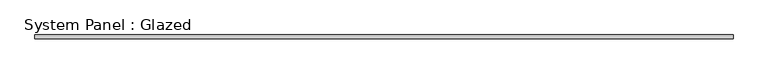
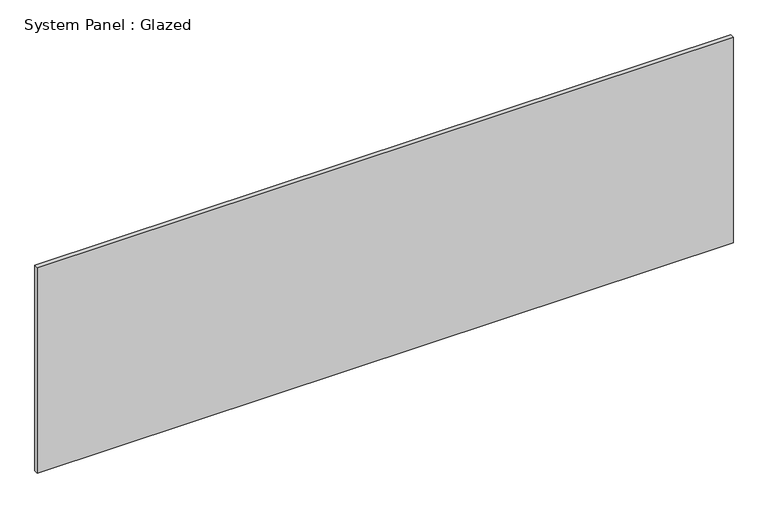
"""IFC4 building model written with IfcOpenShell, lengths in millimetres: plate geometry, System Panel : Glazed."""

import ifcopenshell
import ifcopenshell.guid

model = None  # the IFC model being written
_history = None  # IfcOwnerHistory: only IFC2X3 demands one
_inside = {}  # id of a spatial element -> (the spatial element, [elements in it])
_under = {}  # id of a project, library or spatial element -> (it, [spatial elements below it])
_declared = {}  # id of a project -> (the project, [libraries it declares])
_typed = {}  # id of a type object -> (the type object, [elements of that type])
_made_of = {}  # id of a material, layer set ... -> (it, [elements and type objects made of it])


def new_model(schema):
    """Start an empty IFC model of exactly this schema.

    Asked for "IFC4X3", IfcOpenShell would pick the latest addendum, in which some entities
    have other attributes; the version numbers below select the first issue.
    IFC2X3 requires an IfcOwnerHistory on every rooted entity: one is made here for all.
    """
    global model, _history
    if schema == "IFC4X3":
        model = ifcopenshell.file(schema_version=(4, 3, 0, 0))
    else:
        model = ifcopenshell.file(schema=schema)
    _inside.clear()
    _under.clear()
    _declared.clear()
    _typed.clear()
    _made_of.clear()
    _history = None
    if model.schema == "IFC2X3":
        org = make("IfcOrganization", Name="unknown")
        user = make(
            "IfcPersonAndOrganization",
            ThePerson=make("IfcPerson", FamilyName="unknown"),
            TheOrganization=org,
        )
        app = make(
            "IfcApplication",
            ApplicationDeveloper=org,
            Version="unknown",
            ApplicationFullName="unknown",
            ApplicationIdentifier="unknown",
        )
        _history = make(
            "IfcOwnerHistory",
            OwningUser=user,
            OwningApplication=app,
            ChangeAction="ADDED",
            CreationDate=0,
        )
    return model


def make(cls, **values):
    """One entity of the class cls with the attributes given. An attribute that is None is left unset."""
    return model.create_entity(
        cls, **{name: value for name, value in values.items() if value is not None}
    )


def rooted(cls, **values):
    """An entity with a GlobalId (a new one), such as an element, a storey or a relation."""
    return make(cls, GlobalId=ifcopenshell.guid.new(), OwnerHistory=_history, **values)


def si_unit(unit_type, name, prefix=None):
    """IfcSIUnit, for example si_unit("LENGTHUNIT", "METRE", prefix="MILLI")."""
    return make("IfcSIUnit", UnitType=unit_type, Prefix=prefix, Name=name)


def assignment(units):
    """IfcUnitAssignment: the units of a project."""
    return None if units is None else make("IfcUnitAssignment", Units=units)


def point(xyz):
    """IfcCartesianPoint."""
    return None if xyz is None else make("IfcCartesianPoint", Coordinates=xyz)


def direction(xyz):
    """IfcDirection."""
    return None if xyz is None else make("IfcDirection", DirectionRatios=xyz)


def frame(location, z_axis=None, x_axis=None):
    """IfcAxis2Placement3D, a coordinate frame: its origin and axes. An axis left out is left unset."""
    return make(
        "IfcAxis2Placement3D",
        Location=point(location),
        Axis=direction(z_axis),
        RefDirection=direction(x_axis),
    )


def origin():
    """The frame at (0, 0, 0) with its axes left unset."""
    return frame((0.0, 0.0, 0.0))


def origin_with_axes():
    """The frame at (0, 0, 0) with the z axis (0, 0, 1) and the x axis (1, 0, 0) written out."""
    return frame((0.0, 0.0, 0.0), z_axis=(0.0, 0.0, 1.0), x_axis=(1.0, 0.0, 0.0))


def place(relative_to, where):
    """IfcLocalPlacement: puts the frame where relative to a parent placement (None: the world)."""
    return make(
        "IfcLocalPlacement", PlacementRelTo=relative_to, RelativePlacement=where
    )


def context(
    kind, dimensions, precision=None, world=None, true_north=None, identifier=None
):
    """IfcGeometricRepresentationContext, for example the 3D "Model" context."""
    return make(
        "IfcGeometricRepresentationContext",
        ContextIdentifier=identifier,
        ContextType=kind,
        CoordinateSpaceDimension=dimensions,
        Precision=precision,
        WorldCoordinateSystem=world,
        TrueNorth=true_north,
    )


def project(units=None, contexts=None):
    """IfcProject with its units and contexts."""
    return rooted(
        "IfcProject",
        Name="project",
        RepresentationContexts=contexts,
        UnitsInContext=assignment(units),
    )


def spatial(cls, under=None, at=None, **own):
    """A site, building, storey or space (cls), placed at a placement, below another one or the project."""
    s = rooted(cls, ObjectPlacement=at, **own)
    if under is not None:
        _under.setdefault(under.id(), (under, []))[1].append(s)
    return s


def polyline(points):
    """IfcPolyline through the points."""
    return make("IfcPolyline", Points=[point(p) for p in points])


def outline(outer, holes=None, kind="AREA"):
    """IfcArbitraryClosedProfileDef: a profile drawn as a closed curve; with holes, ...WithVoids."""
    if holes is None:
        return make("IfcArbitraryClosedProfileDef", ProfileType=kind, OuterCurve=outer)
    return make(
        "IfcArbitraryProfileDefWithVoids",
        ProfileType=kind,
        OuterCurve=outer,
        InnerCurves=holes,
    )


def extrude(swept, where, along, depth):
    """IfcExtrudedAreaSolid: the profile swept, set in the frame where, extruded along a direction by depth."""
    return make(
        "IfcExtrudedAreaSolid",
        SweptArea=swept,
        Position=where,
        ExtrudedDirection=direction(along),
        Depth=depth,
    )


def shape(context_of_items, identifier, shape_type, items):
    """IfcShapeRepresentation: the items that make up one representation, for example the "Body"."""
    return make(
        "IfcShapeRepresentation",
        ContextOfItems=context_of_items,
        RepresentationIdentifier=identifier,
        RepresentationType=shape_type,
        Items=items,
    )


def source(mapping_origin, context_of_items, identifier, shape_type, items):
    """IfcRepresentationMap: a shape defined once, which mapped items show again and again."""
    return make(
        "IfcRepresentationMap",
        MappingOrigin=mapping_origin,
        MappedRepresentation=shape(context_of_items, identifier, shape_type, items),
    )


def transform(
    local_origin,
    x_axis=None,
    y_axis=None,
    z_axis=None,
    scale=None,
    scale2=None,
    scale3=None,
    uniform=True,
):
    """IfcCartesianTransformationOperator3D, or its non-uniform kind. x_axis, y_axis, z_axis: its Axis1, 2, 3."""
    if uniform:
        return make(
            "IfcCartesianTransformationOperator3D",
            Axis1=direction(x_axis),
            Axis2=direction(y_axis),
            LocalOrigin=point(local_origin),
            Scale=scale,
            Axis3=direction(z_axis),
        )
    return make(
        "IfcCartesianTransformationOperator3DnonUniform",
        Axis1=direction(x_axis),
        Axis2=direction(y_axis),
        LocalOrigin=point(local_origin),
        Scale=scale,
        Axis3=direction(z_axis),
        Scale2=scale2,
        Scale3=scale3,
    )


def mapped(mapping_source, mapping_target):
    """IfcMappedItem: shows the shape of a source again, moved by a transform."""
    return make(
        "IfcMappedItem", MappingSource=mapping_source, MappingTarget=mapping_target
    )


def made_of(thing, what):
    """Note that an element or type object is made of a material, layer set ...; save() writes the relation."""
    if what is not None:
        _made_of.setdefault(what.id(), (what, []))[1].append(thing)
    return thing


def element(
    cls,
    number,
    at=None,
    inside=None,
    cuts=None,
    type_object=None,
    material=None,
    context=None,
    identifier="Body",
    shape_type=None,
    held_by="IfcProductDefinitionShape",
    body=None,
    shapes=None,
    **own,
):
    """One element of the class cls, such as IfcWall. Its Tag is "e" and its number.

    at: its placement. inside: the storey or other place that contains it. cuts: it is an
    opening in that element (IfcRelVoidsElement). A single representation is given by context,
    identifier, shape_type and body (its items); several are given by shapes. held_by: the class
    of the entity that holds the representations. save() writes the other relations.
    """
    e = rooted(cls, Tag="e%d" % number, ObjectPlacement=at, **own)
    if body is not None:
        shapes = [shape(context, identifier, shape_type, body)]
    if shapes is not None:
        e.Representation = make(held_by, Representations=shapes)
    if inside is not None:
        _inside.setdefault(inside.id(), (inside, []))[1].append(e)
    if cuts is not None:
        rooted(
            "IfcRelVoidsElement", RelatingBuildingElement=cuts, RelatedOpeningElement=e
        )
    if type_object is not None:
        _typed.setdefault(type_object.id(), (type_object, []))[1].append(e)
    return made_of(e, material)


def aggregate(whole, parts):
    """IfcRelAggregates: a whole, such as a stair, and the parts it consists of."""
    return rooted("IfcRelAggregates", RelatingObject=whole, RelatedObjects=parts)


def save(model, path):
    """Write the relations noted so far, then the file.

    IfcRelAggregates (storeys below a building ...), IfcRelContainedInSpatialStructure (elements
    in a storey), IfcRelDefinesByType, IfcRelAssociatesMaterial and IfcRelDeclares: one each for
    every whole, place, type object, material and project.
    """
    for whole, parts in _under.values():
        aggregate(whole, parts)
    for where, things in _inside.values():
        rooted(
            "IfcRelContainedInSpatialStructure",
            RelatedElements=things,
            RelatingStructure=where,
        )
    for kind, things in _typed.values():
        rooted("IfcRelDefinesByType", RelatedObjects=things, RelatingType=kind)
    for what, things in _made_of.values():
        rooted("IfcRelAssociatesMaterial", RelatedObjects=things, RelatingMaterial=what)
    for by, libraries in _declared.values():
        rooted("IfcRelDeclares", RelatingContext=by, RelatedDefinitions=libraries)
    model.write(path)


def system_panel_glazed_570d323c(model_context):
    return source(origin(), model_context, "Body", "SweptSolid", [
        extrude(outline(polyline([(2339.6172358, 19.05), (-2339.6172358, 19.05), (-2339.6172358, 44.45), (2339.6172358, 44.45), (2339.6172358, 19.05)])), origin_with_axes(), (0.0, 0.0, 1.0), 1460.5),
    ])


if __name__ == "__main__":
    model = new_model("IFC4")
    model_context = context("Model", 3, world=origin())
    ifc_project = project(units=[si_unit("LENGTHUNIT", "METRE", prefix="MILLI")], contexts=[model_context])
    site = spatial("IfcSite", under=ifc_project)
    building = spatial("IfcBuilding", under=site)
    placement = place(None, origin())
    system_panel_glazed_shape = system_panel_glazed_570d323c(model_context)
    element("IfcPlate", 1, ObjectType="System Panel : Glazed", at=placement, inside=building, context=model_context, shape_type="MappedRepresentation", body=[
        mapped(system_panel_glazed_shape, transform((0.0, 0.0, 0.0), x_axis=(1.0, 0.0, 0.0), y_axis=(0.0, 1.0, 0.0), z_axis=(0.0, 0.0, 1.0))),
    ])
    save(model, "model.ifc")
